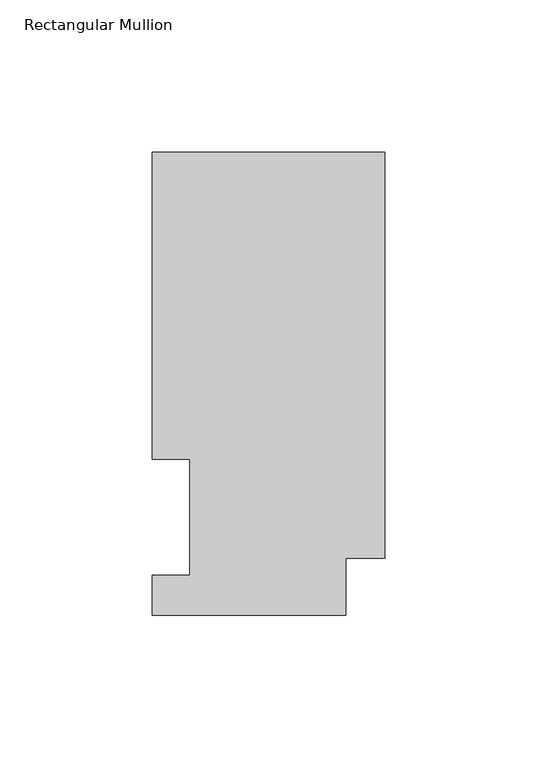
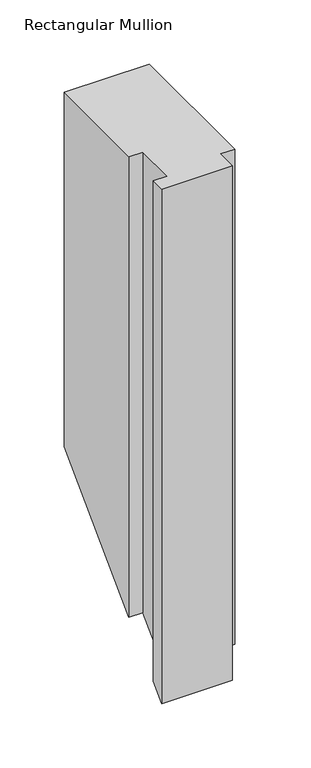
"""IFC4 building model written with IfcOpenShell, lengths in millimetres: member geometry, Rectangular Mullion."""

from ifc_helpers import new_model, si_unit, origin, place, context, project, spatial, faceted_brep, source, transform, mapped, element, save


def rectangular_mullion_d66880d9(model_context):
    return source(origin(), model_context, "Body", "Brep", [
        faceted_brep([(-76.2, 151.9816937, 0.0), (-76.2, 51.2960938, 0.0), (-63.8581605, 51.2960938, 0.0), (-63.8581605, 13.1960938, 0.0), (-76.2, 13.1960938, 0.0), (-76.2, 0.0134937, 0.0), (-12.7, 0.0134937, 0.0), (-12.7, 18.7332937, 0.0), (0.0, 18.7332937, 0.0), (0.0, 151.9816937, 0.0), (-76.2, 151.9816937, -336.9683062), (-76.2, 51.2960938, -437.6539062), (-63.8581605, 51.2960938, -437.6539062), (-63.8581605, 13.1960937, -475.7539062), (-76.2, 13.1960938, -475.7539062), (-76.2, 0.0134937, -488.9365062), (-12.7, 0.0134937, -488.9365062), (-12.7, 18.7332937, -470.2167062), (0.0, 18.7332937, -470.2167062), (0.0, 151.9816937, -336.9683062)], [[[0, 1, 2, 3, 4, 5, 6, 7, 8, 9]], [[1, 0, 10, 11]], [[2, 1, 11, 12]], [[3, 2, 12, 13]], [[4, 3, 13, 14]], [[5, 4, 14, 15]], [[6, 5, 15, 16]], [[7, 6, 16, 17]], [[8, 7, 17, 18]], [[9, 8, 18, 19]], [[0, 9, 19, 10]], [[10, 19, 18, 17, 16, 15, 14, 13, 12, 11]]]),
    ])


if __name__ == "__main__":
    model = new_model("IFC4")
    model_context = context("Model", 3, world=origin())
    ifc_project = project(units=[si_unit("LENGTHUNIT", "METRE", prefix="MILLI")], contexts=[model_context])
    site = spatial("IfcSite", under=ifc_project)
    building = spatial("IfcBuilding", under=site)
    placement = place(None, origin())
    rectangular_mullion_shape = rectangular_mullion_d66880d9(model_context)
    element("IfcMember", 1, ObjectType="Rectangular Mullion", at=placement, inside=building, context=model_context, shape_type="MappedRepresentation", body=[
        mapped(rectangular_mullion_shape, transform((0.0, 0.0, 0.0), x_axis=(1.0, 0.0, 0.0), y_axis=(0.0, 1.0, 0.0), z_axis=(0.0, 0.0, 1.0))),
    ])
    save(model, "model.ifc")
